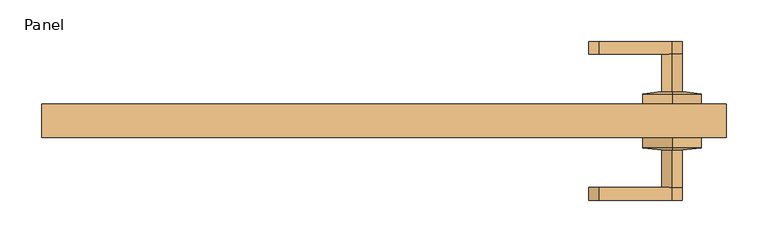
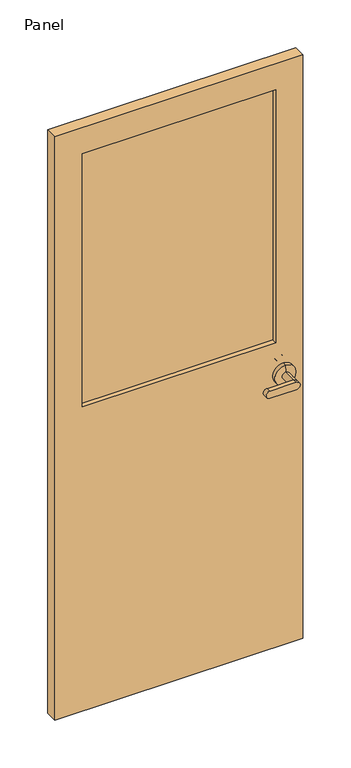
"""IFC4 building model written with IfcOpenShell, lengths in millimetres: door geometry, Panel."""

from ifc_helpers import new_model, si_unit, frame, origin, place, context, project, spatial, polyline, circle_curve, outline, extrude, source, transform, mapped, element, save
from ifc_brep_helpers import plane_surface, cylinder_surface, revolved_surface, advanced_brep


def panel_8713ce9b(model_context):
    return source(origin(), model_context, "Body", "SolidModel", [
        advanced_brep(
        [(345.0, 20.0, 915.0), (345.0, 20.0, 985.0), (345.0, 32.5, 985.0), (345.0, 32.5, 915.0), (345.0, 20.0, 950.0), (345.0, 35.0, 962.5), (345.0, 35.0, 937.5), (345.0, 80.0, 937.5), (345.0, 80.0, 962.5), (257.5490766, 80.0, 962.5), (257.5490766, 80.0, 937.5), (257.5490766, 95.0, 962.5), (345.0, 95.0, 962.5), (345.0, 95.0, 937.5), (257.5490766, 95.0, 937.5)],
        [
            (0, 1, circle_curve(frame((345.0, 20.0, 950.0), z_axis=(0.0, 1.0, 0.0), x_axis=(0.0, 0.0, 1.0)), 35.0)),
            (1, 2),
            (2, 3, circle_curve(frame((345.0, 32.5, 950.0), z_axis=(0.0, -1.0, 0.0), x_axis=(0.0, 0.0, 1.0)), 35.0)),
            (3, 0),
            (1, 0, circle_curve(frame((345.0, 20.0, 950.0), z_axis=(0.0, 1.0, 0.0), x_axis=(0.0, 0.0, 1.0)), 35.0)),
            (3, 2, circle_curve(frame((345.0, 32.5, 950.0), z_axis=(0.0, -1.0, 0.0), x_axis=(0.0, 0.0, 1.0)), 35.0)),
            (0, 4),
            (4, 1),
            (2, 5),
            (5, 6, circle_curve(frame((345.0, 35.0, 950.0), z_axis=(0.0, -1.0, 0.0), x_axis=(0.0, 0.0, 1.0)), 12.5)),
            (6, 3),
            (6, 5, circle_curve(frame((345.0, 35.0, 950.0), z_axis=(0.0, -1.0, 0.0), x_axis=(0.0, 0.0, 1.0)), 12.5)),
            (6, 7),
            (7, 8, circle_curve(frame((345.0, 80.0, 950.0), z_axis=(0.0, -1.0, 0.0), x_axis=(0.0, 0.0, 1.0)), 12.5)),
            (8, 5),
            (8, 7, circle_curve(frame((345.0, 80.0, 950.0), z_axis=(0.0, -1.0, 0.0), x_axis=(0.0, 0.0, 1.0)), 12.5)),
            (9, 10, circle_curve(frame((257.5490766, 80.0, 950.0), z_axis=(0.0, -1.0, 0.0), x_axis=(1.0, 0.0, 0.0)), 12.5)),
            (10, 7),
            (8, 9),
            (11, 12),
            (12, 13, circle_curve(frame((345.0, 95.0, 950.0), z_axis=(0.0, 1.0, 0.0), x_axis=(1.0, 0.0, 0.0)), 12.5)),
            (13, 14),
            (14, 11, circle_curve(frame((257.5490766, 95.0, 950.0), z_axis=(0.0, 1.0, 0.0), x_axis=(1.0, 0.0, 0.0)), 12.5)),
            (9, 11),
            (14, 10),
            (13, 7),
            (12, 8),
        ],
        [
            cylinder_surface(frame((345.0, 50.3527618, 950.0), z_axis=(0.0, -1.0, 0.0), x_axis=(0.0, 0.0, 1.0)), 35.0),
            plane_surface(frame((345.0, 20.0, 950.0), z_axis=(0.0, -1.0, 0.0), x_axis=(0.0, 0.0, 1.0))),
            revolved_surface(polyline([(345.0, 35.0, 962.5), (345.0, 32.5, 985.0)]), (345.0, 50.3527618, 950.0), (0.0, -1.0, 0.0)),
            cylinder_surface(frame((345.0, 80.0, 950.0), z_axis=(0.0, -1.0, 0.0), x_axis=(0.0, 0.0, 1.0)), 12.5),
            plane_surface(frame((270.0490766, 80.0, 950.0), z_axis=(0.0, -1.0, 0.0), x_axis=(0.0, 0.0, 1.0))),
            plane_surface(frame((270.0490766, 95.0, 950.0), z_axis=(0.0, 1.0, 0.0), x_axis=(0.0, 0.0, -1.0))),
            cylinder_surface(frame((257.5490766, 95.0, 950.0), z_axis=(0.0, -1.0, 0.0), x_axis=(1.0, 0.0, 0.0)), 12.5),
            plane_surface(frame((257.5490766, 80.0, 937.5), z_axis=(0.0, 0.0, -1.0), x_axis=(0.0, 1.0, 0.0))),
            cylinder_surface(frame((345.0, 95.0, 950.0), z_axis=(0.0, -1.0, 0.0), x_axis=(1.0, 0.0, 0.0)), 12.5),
            plane_surface(frame((345.0, 80.0, 962.5), z_axis=(0.0, 0.0, 1.0), x_axis=(0.0, 1.0, 0.0))),
        ],
        [
            (0, [[1, 2, 3, 4]]),
            (0, [[-2, 5, -4, 6]]),
            (1, [[-1, 7, 8]]),
            (1, [[-5, -8, -7]]),
            (2, [[-3, 9, 10, 11]]),
            (2, [[-6, -11, 12, -9]]),
            (3, [[13, 14, 15, -12]]),
            (3, [[-13, -10, -15, 16]]),
            (4, [[17, 18, -16, 19]]),
            (5, [[20, 21, 22, 23]]),
            (6, [[-17, 24, -23, 25]]),
            (7, [[-18, -25, -22, 26]]),
            (8, [[-21, 27, -14, -26]]),
            (9, [[-19, -27, -20, -24]]),
        ],
    ),
        advanced_brep(
        [(345.0, -20.0, 915.0), (345.0, -32.5, 915.0), (345.0, -32.5, 985.0), (345.0, -20.0, 985.0), (345.0, -20.0, 950.0), (345.0, -35.0, 937.5), (345.0, -35.0, 962.5), (345.0, -80.0, 962.5), (345.0, -80.0, 937.5), (257.5490766, -80.0, 962.5), (257.5490766, -80.0, 937.5), (257.5490766, -95.0, 962.5), (257.5490766, -95.0, 937.5), (345.0, -95.0, 937.5), (345.0, -95.0, 962.5)],
        [
            (0, 1),
            (1, 2, circle_curve(frame((345.0, -32.5, 950.0), z_axis=(0.0, 1.0, 0.0), x_axis=(0.0, 0.0, 1.0)), 35.0)),
            (2, 3),
            (3, 0, circle_curve(frame((345.0, -20.0, 950.0), z_axis=(0.0, -1.0, 0.0), x_axis=(0.0, 0.0, 1.0)), 35.0)),
            (2, 1, circle_curve(frame((345.0, -32.5, 950.0), z_axis=(0.0, 1.0, 0.0), x_axis=(0.0, 0.0, 1.0)), 35.0)),
            (0, 3, circle_curve(frame((345.0, -20.0, 950.0), z_axis=(0.0, -1.0, 0.0), x_axis=(0.0, 0.0, 1.0)), 35.0)),
            (3, 4),
            (4, 0),
            (1, 5),
            (5, 6, circle_curve(frame((345.0, -35.0, 950.0), z_axis=(0.0, 1.0, 0.0), x_axis=(0.0, 0.0, 1.0)), 12.5)),
            (6, 2),
            (6, 5, circle_curve(frame((345.0, -35.0, 950.0), z_axis=(0.0, 1.0, 0.0), x_axis=(0.0, 0.0, 1.0)), 12.5)),
            (6, 7),
            (7, 8, circle_curve(frame((345.0, -80.0, 950.0), z_axis=(0.0, 1.0, 0.0), x_axis=(0.0, 0.0, 1.0)), 12.5)),
            (8, 5),
            (8, 7, circle_curve(frame((345.0, -80.0, 950.0), z_axis=(0.0, 1.0, 0.0), x_axis=(0.0, 0.0, 1.0)), 12.5)),
            (9, 7),
            (8, 10),
            (10, 9, circle_curve(frame((257.5490766, -80.0, 950.0), z_axis=(0.0, 1.0, 0.0), x_axis=(1.0, 0.0, 0.0)), 12.5)),
            (11, 12, circle_curve(frame((257.5490766, -95.0, 950.0), z_axis=(0.0, -1.0, 0.0), x_axis=(1.0, 0.0, 0.0)), 12.5)),
            (12, 13),
            (13, 14, circle_curve(frame((345.0, -95.0, 950.0), z_axis=(0.0, -1.0, 0.0), x_axis=(1.0, 0.0, 0.0)), 12.5)),
            (14, 11),
            (10, 12),
            (11, 9),
            (8, 13),
            (7, 14),
        ],
        [
            cylinder_surface(frame((345.0, -50.3527618, 950.0), z_axis=(0.0, 1.0, 0.0), x_axis=(0.0, 0.0, 1.0)), 35.0),
            plane_surface(frame((345.0, -20.0, 950.0), z_axis=(0.0, 1.0, 0.0), x_axis=(0.0, 0.0, 1.0))),
            revolved_surface(polyline([(345.0, -35.0, 962.5), (345.0, -32.5, 985.0)]), (345.0, -50.3527618, 950.0), (0.0, 1.0, 0.0)),
            cylinder_surface(frame((345.0, -80.0, 950.0), z_axis=(0.0, 1.0, 0.0), x_axis=(0.0, 0.0, 1.0)), 12.5),
            plane_surface(frame((270.0490766, -80.0, 950.0), z_axis=(0.0, 1.0, 0.0), x_axis=(0.0, 0.0, 1.0))),
            plane_surface(frame((270.0490766, -95.0, 950.0), z_axis=(0.0, -1.0, 0.0), x_axis=(0.0, 0.0, -1.0))),
            cylinder_surface(frame((257.5490766, -95.0, 950.0), z_axis=(0.0, 1.0, 0.0), x_axis=(1.0, 0.0, 0.0)), 12.5),
            plane_surface(frame((257.5490766, -80.0, 937.5), z_axis=(0.0, 0.0, -1.0), x_axis=(0.0, -1.0, 0.0))),
            cylinder_surface(frame((345.0, -95.0, 950.0), z_axis=(0.0, 1.0, 0.0), x_axis=(1.0, 0.0, 0.0)), 12.5),
            plane_surface(frame((345.0, -80.0, 962.5), z_axis=(0.0, 0.0, 1.0), x_axis=(0.0, -1.0, 0.0))),
        ],
        [
            (0, [[1, 2, 3, 4]]),
            (0, [[5, -1, 6, -3]]),
            (1, [[7, 8, -4]]),
            (1, [[-8, -7, -6]]),
            (2, [[9, 10, 11, -2]]),
            (2, [[-11, 12, -9, -5]]),
            (3, [[-12, 13, 14, 15]]),
            (3, [[16, -13, -10, -15]]),
            (4, [[17, -16, 18, 19]]),
            (5, [[20, 21, 22, 23]]),
            (6, [[24, -20, 25, -19]]),
            (7, [[26, -21, -24, -18]]),
            (8, [[-26, -14, 27, -22]]),
            (9, [[-25, -23, -27, -17]]),
        ],
    ),
        extrude(outline(polyline([(320.0, 5.0), (320.0, -5.0), (-320.0, -5.0), (-320.0, 5.0), (320.0, 5.0)])), frame((0.0, 0.0, 1065.0), z_axis=(0.0, 0.0, 1.0), x_axis=(1.0, 0.0, 0.0)), (0.0, 0.0, 1.0), 885.0),
        extrude(outline(polyline([(2040.0, -410.0), (0.0, -410.0), (0.0, 410.0), (2040.0, 410.0), (2040.0, -410.0)]), holes=[polyline([(1950.0, -320.0), (1950.0, 320.0), (1065.0, 320.0), (1065.0, -320.0), (1950.0, -320.0)])]), frame((0.0, -20.0, 0.0), z_axis=(0.0, 1.0, 0.0), x_axis=(0.0, 0.0, 1.0)), (0.0, 0.0, 1.0), 40.0),
    ])


if __name__ == "__main__":
    model = new_model("IFC4")
    model_context = context("Model", 3, world=origin())
    ifc_project = project(units=[si_unit("LENGTHUNIT", "METRE", prefix="MILLI")], contexts=[model_context])
    site = spatial("IfcSite", under=ifc_project)
    building = spatial("IfcBuilding", under=site)
    placement = place(None, origin())
    panel_shape = panel_8713ce9b(model_context)
    element("IfcDoor", 1, ObjectType="Panel", at=placement, inside=building, context=model_context, shape_type="MappedRepresentation", body=[
        mapped(panel_shape, transform((0.0, 0.0, 0.0), x_axis=(1.0, 0.0, 0.0), y_axis=(0.0, 1.0, 0.0), z_axis=(0.0, 0.0, 1.0))),
    ])
    save(model, "model.ifc")
